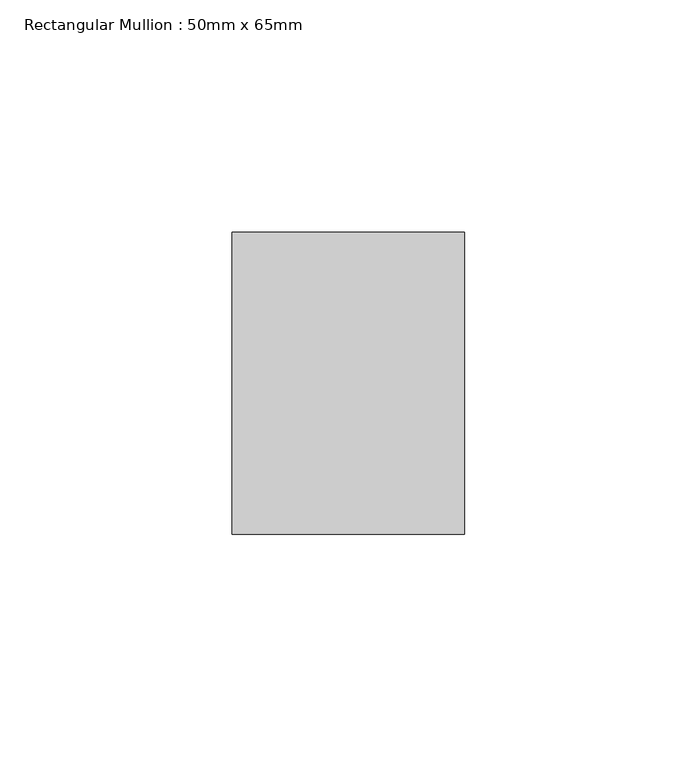
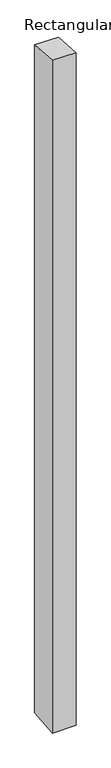
"""IFC4 building model written with IfcOpenShell, lengths in millimetres: member geometry, Rectangular Mullion : 50mm x 65mm."""

from ifc_helpers import new_model, si_unit, origin, place, context, project, spatial, faceted_brep, source, transform, mapped, element, save


def rectangular_mullion_50mm_x_65mm_d7e07342(model_context):
    return source(origin(), model_context, "Body", "Brep", [
        faceted_brep([(-25.0, 32.5, -2.4319489), (25.0, 32.5, -2.4319497), (25.0, 32.5, -1497.0086983), (-25.0, 32.5, -1497.0086993), (-25.0, -32.5, 2.4319497), (-25.0, -32.5, -1502.9910094), (25.0, -32.5, 2.4319489), (25.0, -32.5, -1502.9910084)], [[[0, 1, 2, 3]], [[4, 0, 3, 5]], [[6, 4, 5, 7]], [[1, 6, 7, 2]], [[1, 0, 4, 6]], [[2, 7, 5, 3]]]),
    ])


if __name__ == "__main__":
    model = new_model("IFC4")
    model_context = context("Model", 3, world=origin())
    ifc_project = project(units=[si_unit("LENGTHUNIT", "METRE", prefix="MILLI")], contexts=[model_context])
    site = spatial("IfcSite", under=ifc_project)
    building = spatial("IfcBuilding", under=site)
    placement = place(None, origin())
    rectangular_mullion_50mm_x_65mm_shape = rectangular_mullion_50mm_x_65mm_d7e07342(model_context)
    element("IfcMember", 1, ObjectType="Rectangular Mullion : 50mm x 65mm", at=placement, inside=building, context=model_context, shape_type="MappedRepresentation", body=[
        mapped(rectangular_mullion_50mm_x_65mm_shape, transform((0.0, 0.0, 0.0), x_axis=(1.0, 0.0, 0.0), y_axis=(0.0, 1.0, 0.0), z_axis=(0.0, 0.0, 1.0))),
    ])
    save(model, "model.ifc")
